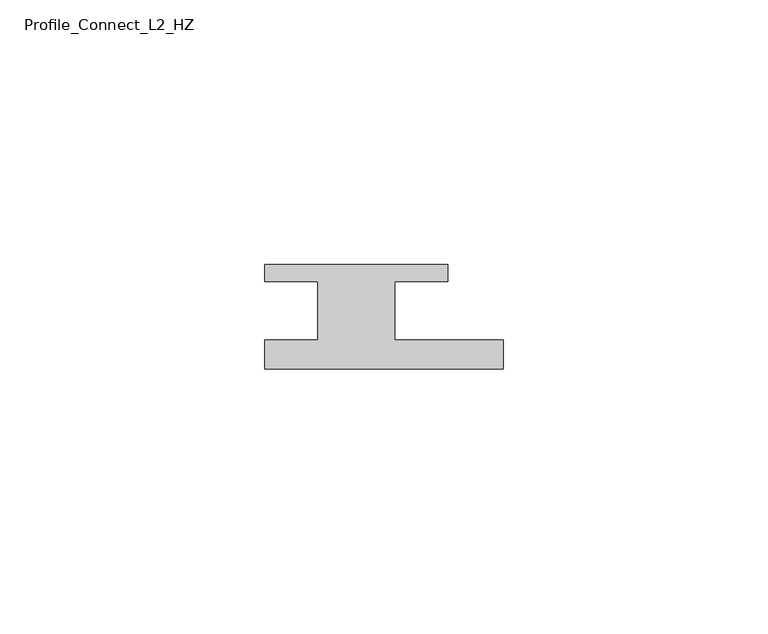
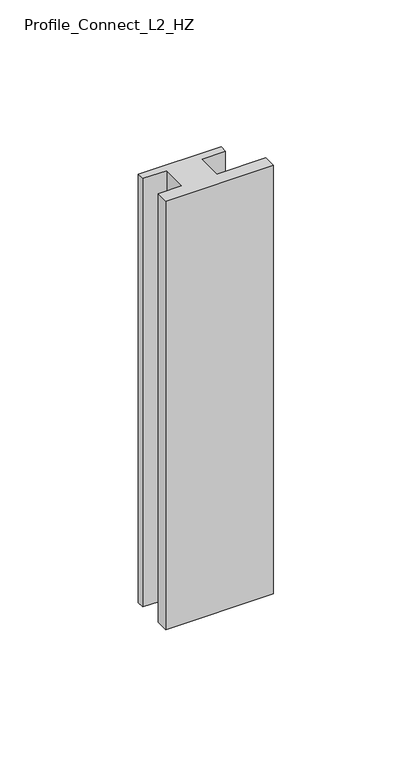
"""IFC4 building model written with IfcOpenShell, lengths in millimetres: member geometry, Profile_Connect_L2_HZ."""

from ifc_helpers import new_model, si_unit, frame, origin, place, context, project, spatial, polyline, outline, extrude, source, transform, mapped, element, save


def profile_connect_l2_hz_d65332bc(model_context):
    return source(origin(), model_context, "Body", "SweptSolid", [
        extrude(outline(polyline([(26.6, -5.5), (26.6, -11.0), (-18.4, -11.0), (-18.4, -5.5), (-8.4, -5.5), (-8.4, 5.5), (-18.4, 5.5), (-18.4, 8.7), (16.1, 8.7), (16.1, 5.5), (6.1, 5.5), (6.1, -5.5), (26.6, -5.5)])), frame((0.0, 0.0, -189.0), z_axis=(0.0, 0.0, 1.0), x_axis=(1.0, 0.0, 0.0)), (0.0, 0.0, 1.0), 189.0),
    ])


if __name__ == "__main__":
    model = new_model("IFC4")
    model_context = context("Model", 3, world=origin())
    ifc_project = project(units=[si_unit("LENGTHUNIT", "METRE", prefix="MILLI")], contexts=[model_context])
    site = spatial("IfcSite", under=ifc_project)
    building = spatial("IfcBuilding", under=site)
    placement = place(None, origin())
    profile_connect_l2_hz_shape = profile_connect_l2_hz_d65332bc(model_context)
    element("IfcMember", 1, ObjectType="Profile_Connect_L2_HZ", at=placement, inside=building, context=model_context, shape_type="MappedRepresentation", body=[
        mapped(profile_connect_l2_hz_shape, transform((0.0, 0.0, 0.0), x_axis=(1.0, 0.0, 0.0), y_axis=(0.0, 1.0, 0.0), z_axis=(0.0, 0.0, 1.0))),
    ])
    save(model, "model.ifc")
